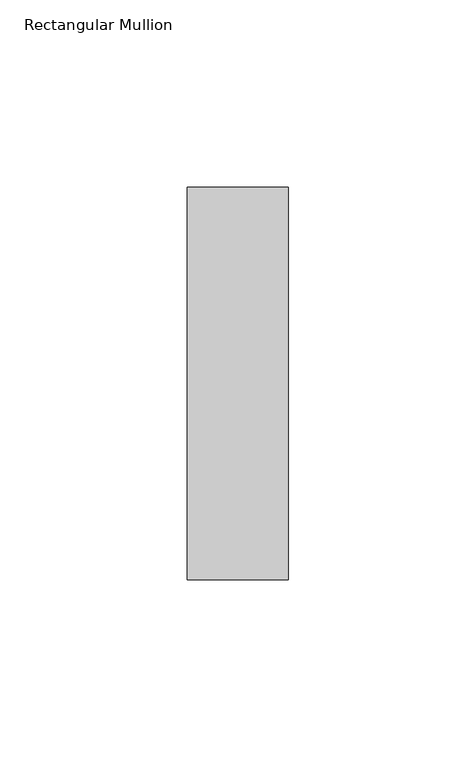
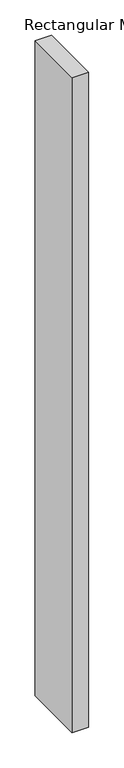
"""IFC4 building model written with IfcOpenShell, lengths in millimetres: member geometry, Rectangular Mullion."""

from ifc_helpers import new_model, si_unit, frame, origin, place, context, project, spatial, polyline, outline, extrude, source, transform, mapped, element, save


def rectangular_mullion_25b76d8f(model_context):
    return source(origin(), model_context, "Body", "SweptSolid", [
        extrude(outline(polyline([(0.0, 52.3975), (0.0, -52.3975), (-27.0, -52.3975), (-27.0, 52.3975), (0.0, 52.3975)])), frame((0.0, 0.0, -1132.5), z_axis=(0.0, 0.0, 1.0), x_axis=(1.0, 0.0, 0.0)), (0.0, 0.0, 1.0), 1132.5),
    ])


if __name__ == "__main__":
    model = new_model("IFC4")
    model_context = context("Model", 3, world=origin())
    ifc_project = project(units=[si_unit("LENGTHUNIT", "METRE", prefix="MILLI")], contexts=[model_context])
    site = spatial("IfcSite", under=ifc_project)
    building = spatial("IfcBuilding", under=site)
    placement = place(None, origin())
    rectangular_mullion_shape = rectangular_mullion_25b76d8f(model_context)
    element("IfcMember", 1, ObjectType="Rectangular Mullion", at=placement, inside=building, context=model_context, shape_type="MappedRepresentation", body=[
        mapped(rectangular_mullion_shape, transform((0.0, 0.0, 0.0), x_axis=(1.0, 0.0, 0.0), y_axis=(0.0, 1.0, 0.0), z_axis=(0.0, 0.0, 1.0))),
    ])
    save(model, "model.ifc")
